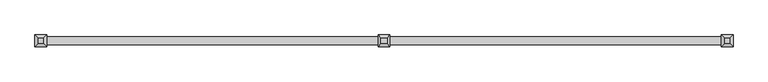
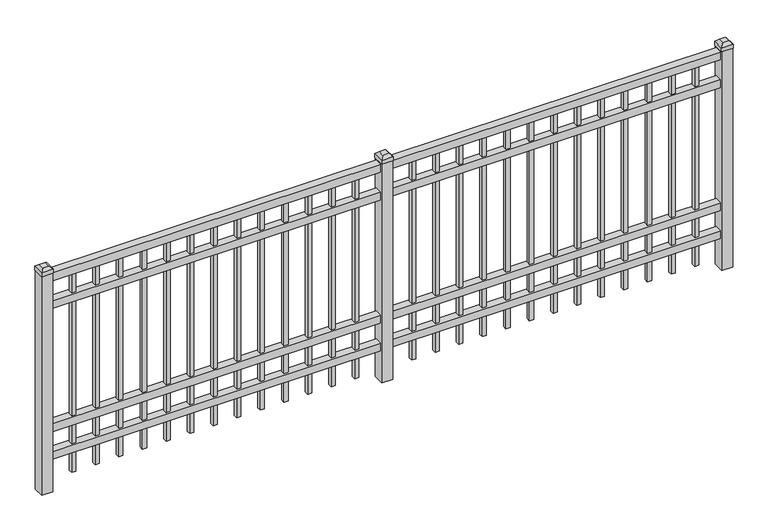
"""IFC4 building model written with IfcOpenShell, lengths in millimetres: railing geometry."""

from ifc_helpers import new_model, si_unit, frame, origin, origin_with_axes, place, context, project, spatial, polyline, outline, extrude, faceted_brep, source, transform, mapped, element, save


def railing_40b9d09c(model_context):
    return source(origin(), model_context, "Body", "SolidModel", [
        extrude(outline(polyline([(-85729.318087, -9187.1195174), (-85729.318087, -9152.1945174), (-82579.718087, -9152.1945174), (-82579.718087, -9187.1195174), (-85729.318087, -9187.1195174)])), frame((0.0, 0.0, 1028.7), z_axis=(0.0, 0.0, 1.0), x_axis=(1.0, 0.0, 0.0)), (0.0, 0.0, 1.0), 38.1),
        extrude(outline(polyline([(-85729.318087, -9187.1195174), (-85729.318087, -9152.1945174), (-82579.718087, -9152.1945174), (-82579.718087, -9187.1195174), (-85729.318087, -9187.1195174)])), frame((0.0, 0.0, 892.175), z_axis=(0.0, 0.0, 1.0), x_axis=(1.0, 0.0, 0.0)), (0.0, 0.0, 1.0), 38.1),
        extrude(outline(polyline([(-85729.318087, -9187.1195174), (-85729.318087, -9152.1945174), (-82579.718087, -9152.1945174), (-82579.718087, -9187.1195174), (-85729.318087, -9187.1195174)])), frame((0.0, 0.0, 288.925), z_axis=(0.0, 0.0, 1.0), x_axis=(1.0, 0.0, 0.0)), (0.0, 0.0, 1.0), 38.1),
        extrude(outline(polyline([(-85729.318087, -9187.1195174), (-85729.318087, -9152.1945174), (-82579.718087, -9152.1945174), (-82579.718087, -9187.1195174), (-85729.318087, -9187.1195174)])), frame((0.0, 0.0, 152.4), z_axis=(0.0, 0.0, 1.0), x_axis=(1.0, 0.0, 0.0)), (0.0, 0.0, 1.0), 38.1),
        extrude(outline(polyline([(-82811.2285036, -9160.1320174), (-82811.2285036, -9179.1820174), (-82830.2785036, -9179.1820174), (-82830.2785036, -9160.1320174), (-82811.2285036, -9160.1320174)])), frame((0.0, 0.0, 50.8), z_axis=(0.0, 0.0, 1.0), x_axis=(1.0, 0.0, 0.0)), (0.0, 0.0, 1.0), 977.9),
        extrude(outline(polyline([(-82920.5014203, -9160.1320174), (-82920.5014203, -9179.1820174), (-82939.5514203, -9179.1820174), (-82939.5514203, -9160.1320174), (-82920.5014203, -9160.1320174)])), frame((0.0, 0.0, 50.8), z_axis=(0.0, 0.0, 1.0), x_axis=(1.0, 0.0, 0.0)), (0.0, 0.0, 1.0), 977.9),
        extrude(outline(polyline([(-83029.774337, -9160.1320174), (-83029.774337, -9179.1820174), (-83048.824337, -9179.1820174), (-83048.824337, -9160.1320174), (-83029.774337, -9160.1320174)])), frame((0.0, 0.0, 50.8), z_axis=(0.0, 0.0, 1.0), x_axis=(1.0, 0.0, 0.0)), (0.0, 0.0, 1.0), 977.9),
        extrude(outline(polyline([(-83139.0472536, -9160.1320174), (-83139.0472536, -9179.1820174), (-83158.0972536, -9179.1820174), (-83158.0972536, -9160.1320174), (-83139.0472536, -9160.1320174)])), frame((0.0, 0.0, 50.8), z_axis=(0.0, 0.0, 1.0), x_axis=(1.0, 0.0, 0.0)), (0.0, 0.0, 1.0), 977.9),
        extrude(outline(polyline([(-83248.3201703, -9160.1320174), (-83248.3201703, -9179.1820174), (-83267.3701703, -9179.1820174), (-83267.3701703, -9160.1320174), (-83248.3201703, -9160.1320174)])), frame((0.0, 0.0, 50.8), z_axis=(0.0, 0.0, 1.0), x_axis=(1.0, 0.0, 0.0)), (0.0, 0.0, 1.0), 977.9),
        extrude(outline(polyline([(-83357.593087, -9160.1320174), (-83357.593087, -9179.1820174), (-83376.643087, -9179.1820174), (-83376.643087, -9160.1320174), (-83357.593087, -9160.1320174)])), frame((0.0, 0.0, 50.8), z_axis=(0.0, 0.0, 1.0), x_axis=(1.0, 0.0, 0.0)), (0.0, 0.0, 1.0), 977.9),
        extrude(outline(polyline([(-83466.8660036, -9160.1320174), (-83466.8660036, -9179.1820174), (-83485.9160036, -9179.1820174), (-83485.9160036, -9160.1320174), (-83466.8660036, -9160.1320174)])), frame((0.0, 0.0, 50.8), z_axis=(0.0, 0.0, 1.0), x_axis=(1.0, 0.0, 0.0)), (0.0, 0.0, 1.0), 977.9),
        extrude(outline(polyline([(-83576.1389203, -9160.1320174), (-83576.1389203, -9179.1820174), (-83595.1889203, -9179.1820174), (-83595.1889203, -9160.1320174), (-83576.1389203, -9160.1320174)])), frame((0.0, 0.0, 50.8), z_axis=(0.0, 0.0, 1.0), x_axis=(1.0, 0.0, 0.0)), (0.0, 0.0, 1.0), 977.9),
        extrude(outline(polyline([(-83685.411837, -9160.1320174), (-83685.411837, -9179.1820174), (-83704.461837, -9179.1820174), (-83704.461837, -9160.1320174), (-83685.411837, -9160.1320174)])), frame((0.0, 0.0, 50.8), z_axis=(0.0, 0.0, 1.0), x_axis=(1.0, 0.0, 0.0)), (0.0, 0.0, 1.0), 977.9),
        extrude(outline(polyline([(-83794.6847536, -9160.1320174), (-83794.6847536, -9179.1820174), (-83813.7347536, -9179.1820174), (-83813.7347536, -9160.1320174), (-83794.6847536, -9160.1320174)])), frame((0.0, 0.0, 50.8), z_axis=(0.0, 0.0, 1.0), x_axis=(1.0, 0.0, 0.0)), (0.0, 0.0, 1.0), 977.9),
        extrude(outline(polyline([(-83903.9576703, -9160.1320174), (-83903.9576703, -9179.1820174), (-83923.0076703, -9179.1820174), (-83923.0076703, -9160.1320174), (-83903.9576703, -9160.1320174)])), frame((0.0, 0.0, 50.8), z_axis=(0.0, 0.0, 1.0), x_axis=(1.0, 0.0, 0.0)), (0.0, 0.0, 1.0), 977.9),
        extrude(outline(polyline([(-82701.955587, -9160.1320174), (-82701.955587, -9179.1820174), (-82721.005587, -9179.1820174), (-82721.005587, -9160.1320174), (-82701.955587, -9160.1320174)])), frame((0.0, 0.0, 50.8), z_axis=(0.0, 0.0, 1.0), x_axis=(1.0, 0.0, 0.0)), (0.0, 0.0, 1.0), 977.9),
        extrude(outline(polyline([(-84013.230587, -9160.1320174), (-84013.230587, -9179.1820174), (-84032.280587, -9179.1820174), (-84032.280587, -9160.1320174), (-84013.230587, -9160.1320174)])), frame((0.0, 0.0, 50.8), z_axis=(0.0, 0.0, 1.0), x_axis=(1.0, 0.0, 0.0)), (0.0, 0.0, 1.0), 977.9),
        faceted_brep([(-84181.505587, -9142.6695174, 1092.2), (-84181.505587, -9142.6695174, 1073.15), (-84181.505587, -9196.6445174, 1073.15), (-84181.505587, -9196.6445174, 1092.2), (-84168.805587, -9155.3695174, 1104.9), (-84168.805587, -9183.9445174, 1104.9), (-84127.530587, -9196.6445174, 1073.15), (-84127.530587, -9196.6445174, 1092.2), (-84140.230587, -9183.9445174, 1104.9), (-84127.530587, -9142.6695174, 1073.15), (-84127.530587, -9142.6695174, 1092.2), (-84140.230587, -9155.3695174, 1104.9)], [[[0, 1, 2, 3]], [[4, 0, 3, 5]], [[3, 2, 6, 7]], [[5, 3, 7, 8]], [[7, 6, 9, 10]], [[8, 7, 10, 11]], [[10, 9, 1, 0]], [[11, 10, 0, 4]], [[5, 8, 11, 4]], [[1, 9, 6, 2]]]),
        extrude(outline(polyline([(-84129.118087, -9144.2570174), (-84129.118087, -9195.0570174), (-84179.918087, -9195.0570174), (-84179.918087, -9144.2570174), (-84129.118087, -9144.2570174)])), origin_with_axes(), (0.0, 0.0, 1.0), 1073.15),
        extrude(outline(polyline([(-84386.0285036, -9160.1320174), (-84386.0285036, -9179.1820174), (-84405.0785036, -9179.1820174), (-84405.0785036, -9160.1320174), (-84386.0285036, -9160.1320174)])), frame((0.0, 0.0, 50.8), z_axis=(0.0, 0.0, 1.0), x_axis=(1.0, 0.0, 0.0)), (0.0, 0.0, 1.0), 977.9),
        extrude(outline(polyline([(-84495.3014203, -9160.1320174), (-84495.3014203, -9179.1820174), (-84514.3514203, -9179.1820174), (-84514.3514203, -9160.1320174), (-84495.3014203, -9160.1320174)])), frame((0.0, 0.0, 50.8), z_axis=(0.0, 0.0, 1.0), x_axis=(1.0, 0.0, 0.0)), (0.0, 0.0, 1.0), 977.9),
        extrude(outline(polyline([(-84604.574337, -9160.1320174), (-84604.574337, -9179.1820174), (-84623.624337, -9179.1820174), (-84623.624337, -9160.1320174), (-84604.574337, -9160.1320174)])), frame((0.0, 0.0, 50.8), z_axis=(0.0, 0.0, 1.0), x_axis=(1.0, 0.0, 0.0)), (0.0, 0.0, 1.0), 977.9),
        extrude(outline(polyline([(-84713.8472536, -9160.1320174), (-84713.8472536, -9179.1820174), (-84732.8972536, -9179.1820174), (-84732.8972536, -9160.1320174), (-84713.8472536, -9160.1320174)])), frame((0.0, 0.0, 50.8), z_axis=(0.0, 0.0, 1.0), x_axis=(1.0, 0.0, 0.0)), (0.0, 0.0, 1.0), 977.9),
        extrude(outline(polyline([(-84823.1201703, -9160.1320174), (-84823.1201703, -9179.1820174), (-84842.1701703, -9179.1820174), (-84842.1701703, -9160.1320174), (-84823.1201703, -9160.1320174)])), frame((0.0, 0.0, 50.8), z_axis=(0.0, 0.0, 1.0), x_axis=(1.0, 0.0, 0.0)), (0.0, 0.0, 1.0), 977.9),
        extrude(outline(polyline([(-84932.393087, -9160.1320174), (-84932.393087, -9179.1820174), (-84951.443087, -9179.1820174), (-84951.443087, -9160.1320174), (-84932.393087, -9160.1320174)])), frame((0.0, 0.0, 50.8), z_axis=(0.0, 0.0, 1.0), x_axis=(1.0, 0.0, 0.0)), (0.0, 0.0, 1.0), 977.9),
        extrude(outline(polyline([(-85041.6660036, -9160.1320174), (-85041.6660036, -9179.1820174), (-85060.7160036, -9179.1820174), (-85060.7160036, -9160.1320174), (-85041.6660036, -9160.1320174)])), frame((0.0, 0.0, 50.8), z_axis=(0.0, 0.0, 1.0), x_axis=(1.0, 0.0, 0.0)), (0.0, 0.0, 1.0), 977.9),
        extrude(outline(polyline([(-85150.9389203, -9160.1320174), (-85150.9389203, -9179.1820174), (-85169.9889203, -9179.1820174), (-85169.9889203, -9160.1320174), (-85150.9389203, -9160.1320174)])), frame((0.0, 0.0, 50.8), z_axis=(0.0, 0.0, 1.0), x_axis=(1.0, 0.0, 0.0)), (0.0, 0.0, 1.0), 977.9),
        extrude(outline(polyline([(-85260.211837, -9160.1320174), (-85260.211837, -9179.1820174), (-85279.261837, -9179.1820174), (-85279.261837, -9160.1320174), (-85260.211837, -9160.1320174)])), frame((0.0, 0.0, 50.8), z_axis=(0.0, 0.0, 1.0), x_axis=(1.0, 0.0, 0.0)), (0.0, 0.0, 1.0), 977.9),
        extrude(outline(polyline([(-85369.4847536, -9160.1320174), (-85369.4847536, -9179.1820174), (-85388.5347536, -9179.1820174), (-85388.5347536, -9160.1320174), (-85369.4847536, -9160.1320174)])), frame((0.0, 0.0, 50.8), z_axis=(0.0, 0.0, 1.0), x_axis=(1.0, 0.0, 0.0)), (0.0, 0.0, 1.0), 977.9),
        extrude(outline(polyline([(-85478.7576703, -9160.1320174), (-85478.7576703, -9179.1820174), (-85497.8076703, -9179.1820174), (-85497.8076703, -9160.1320174), (-85478.7576703, -9160.1320174)])), frame((0.0, 0.0, 50.8), z_axis=(0.0, 0.0, 1.0), x_axis=(1.0, 0.0, 0.0)), (0.0, 0.0, 1.0), 977.9),
        extrude(outline(polyline([(-84276.755587, -9160.1320174), (-84276.755587, -9179.1820174), (-84295.805587, -9179.1820174), (-84295.805587, -9160.1320174), (-84276.755587, -9160.1320174)])), frame((0.0, 0.0, 50.8), z_axis=(0.0, 0.0, 1.0), x_axis=(1.0, 0.0, 0.0)), (0.0, 0.0, 1.0), 977.9),
        extrude(outline(polyline([(-85588.030587, -9160.1320174), (-85588.030587, -9179.1820174), (-85607.080587, -9179.1820174), (-85607.080587, -9160.1320174), (-85588.030587, -9160.1320174)])), frame((0.0, 0.0, 50.8), z_axis=(0.0, 0.0, 1.0), x_axis=(1.0, 0.0, 0.0)), (0.0, 0.0, 1.0), 977.9),
        faceted_brep([(-82606.705587, -9142.6695174, 1092.2), (-82606.705587, -9142.6695174, 1073.15), (-82606.705587, -9196.6445174, 1073.15), (-82606.705587, -9196.6445174, 1092.2), (-82594.005587, -9155.3695174, 1104.9), (-82594.005587, -9183.9445174, 1104.9), (-82552.730587, -9196.6445174, 1073.15), (-82552.730587, -9196.6445174, 1092.2), (-82565.430587, -9183.9445174, 1104.9), (-82552.730587, -9142.6695174, 1073.15), (-82552.730587, -9142.6695174, 1092.2), (-82565.430587, -9155.3695174, 1104.9)], [[[0, 1, 2, 3]], [[4, 0, 3, 5]], [[3, 2, 6, 7]], [[5, 3, 7, 8]], [[7, 6, 9, 10]], [[8, 7, 10, 11]], [[10, 9, 1, 0]], [[11, 10, 0, 4]], [[5, 8, 11, 4]], [[1, 9, 6, 2]]]),
        extrude(outline(polyline([(-82554.318087, -9144.2570174), (-82554.318087, -9195.0570174), (-82605.118087, -9195.0570174), (-82605.118087, -9144.2570174), (-82554.318087, -9144.2570174)])), origin_with_axes(), (0.0, 0.0, 1.0), 1073.15),
        faceted_brep([(-85756.305587, -9142.6695174, 1092.2), (-85756.305587, -9142.6695174, 1073.15), (-85756.305587, -9196.6445174, 1073.15), (-85756.305587, -9196.6445174, 1092.2), (-85743.605587, -9155.3695174, 1104.9), (-85743.605587, -9183.9445174, 1104.9), (-85702.330587, -9196.6445174, 1073.15), (-85702.330587, -9196.6445174, 1092.2), (-85715.030587, -9183.9445174, 1104.9), (-85702.330587, -9142.6695174, 1073.15), (-85702.330587, -9142.6695174, 1092.2), (-85715.030587, -9155.3695174, 1104.9)], [[[0, 1, 2, 3]], [[4, 0, 3, 5]], [[3, 2, 6, 7]], [[5, 3, 7, 8]], [[7, 6, 9, 10]], [[8, 7, 10, 11]], [[10, 9, 1, 0]], [[11, 10, 0, 4]], [[5, 8, 11, 4]], [[1, 9, 6, 2]]]),
        extrude(outline(polyline([(-85703.918087, -9144.2570174), (-85703.918087, -9195.0570174), (-85754.718087, -9195.0570174), (-85754.718087, -9144.2570174), (-85703.918087, -9144.2570174)])), origin_with_axes(), (0.0, 0.0, 1.0), 1073.15),
    ])


if __name__ == "__main__":
    model = new_model("IFC4")
    model_context = context("Model", 3, world=origin())
    ifc_project = project(units=[si_unit("LENGTHUNIT", "METRE", prefix="MILLI")], contexts=[model_context])
    site = spatial("IfcSite", under=ifc_project)
    building = spatial("IfcBuilding", under=site)
    placement = place(None, origin())
    railing_shape = railing_40b9d09c(model_context)
    element("IfcRailing", 1, at=placement, inside=building, context=model_context, shape_type="MappedRepresentation", body=[
        mapped(railing_shape, transform((0.0, 0.0, 0.0), x_axis=(1.0, 0.0, 0.0), y_axis=(0.0, 1.0, 0.0), z_axis=(0.0, 0.0, 1.0))),
    ])
    save(model, "model.ifc")
